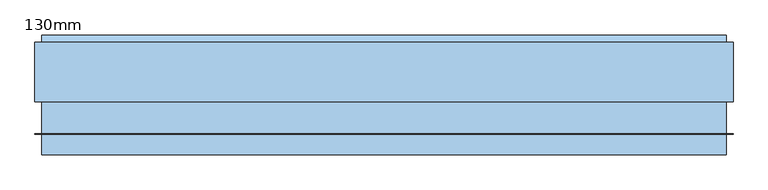
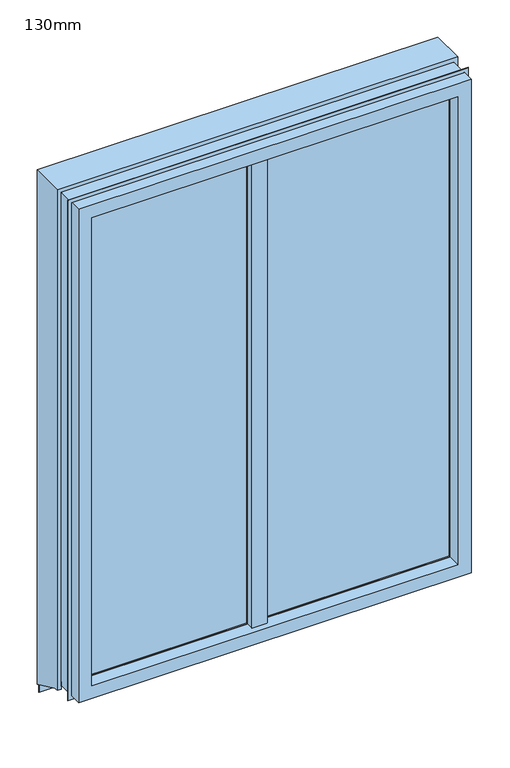
"""IFC4 building model written with IfcOpenShell, lengths in millimetres: window geometry, 130mm."""

import ifcopenshell
import ifcopenshell.guid

model = None  # the IFC model being written
_history = None  # IfcOwnerHistory: only IFC2X3 demands one
_inside = {}  # id of a spatial element -> (the spatial element, [elements in it])
_under = {}  # id of a project, library or spatial element -> (it, [spatial elements below it])
_declared = {}  # id of a project -> (the project, [libraries it declares])
_typed = {}  # id of a type object -> (the type object, [elements of that type])
_made_of = {}  # id of a material, layer set ... -> (it, [elements and type objects made of it])


def new_model(schema):
    """Start an empty IFC model of exactly this schema.

    Asked for "IFC4X3", IfcOpenShell would pick the latest addendum, in which some entities
    have other attributes; the version numbers below select the first issue.
    IFC2X3 requires an IfcOwnerHistory on every rooted entity: one is made here for all.
    """
    global model, _history
    if schema == "IFC4X3":
        model = ifcopenshell.file(schema_version=(4, 3, 0, 0))
    else:
        model = ifcopenshell.file(schema=schema)
    _inside.clear()
    _under.clear()
    _declared.clear()
    _typed.clear()
    _made_of.clear()
    _history = None
    if model.schema == "IFC2X3":
        org = make("IfcOrganization", Name="unknown")
        user = make(
            "IfcPersonAndOrganization",
            ThePerson=make("IfcPerson", FamilyName="unknown"),
            TheOrganization=org,
        )
        app = make(
            "IfcApplication",
            ApplicationDeveloper=org,
            Version="unknown",
            ApplicationFullName="unknown",
            ApplicationIdentifier="unknown",
        )
        _history = make(
            "IfcOwnerHistory",
            OwningUser=user,
            OwningApplication=app,
            ChangeAction="ADDED",
            CreationDate=0,
        )
    return model


def make(cls, **values):
    """One entity of the class cls with the attributes given. An attribute that is None is left unset."""
    return model.create_entity(
        cls, **{name: value for name, value in values.items() if value is not None}
    )


def rooted(cls, **values):
    """An entity with a GlobalId (a new one), such as an element, a storey or a relation."""
    return make(cls, GlobalId=ifcopenshell.guid.new(), OwnerHistory=_history, **values)


def si_unit(unit_type, name, prefix=None):
    """IfcSIUnit, for example si_unit("LENGTHUNIT", "METRE", prefix="MILLI")."""
    return make("IfcSIUnit", UnitType=unit_type, Prefix=prefix, Name=name)


def assignment(units):
    """IfcUnitAssignment: the units of a project."""
    return None if units is None else make("IfcUnitAssignment", Units=units)


def point(xyz):
    """IfcCartesianPoint."""
    return None if xyz is None else make("IfcCartesianPoint", Coordinates=xyz)


def direction(xyz):
    """IfcDirection."""
    return None if xyz is None else make("IfcDirection", DirectionRatios=xyz)


def frame(location, z_axis=None, x_axis=None):
    """IfcAxis2Placement3D, a coordinate frame: its origin and axes. An axis left out is left unset."""
    return make(
        "IfcAxis2Placement3D",
        Location=point(location),
        Axis=direction(z_axis),
        RefDirection=direction(x_axis),
    )


def origin():
    """The frame at (0, 0, 0) with its axes left unset."""
    return frame((0.0, 0.0, 0.0))


def place(relative_to, where):
    """IfcLocalPlacement: puts the frame where relative to a parent placement (None: the world)."""
    return make(
        "IfcLocalPlacement", PlacementRelTo=relative_to, RelativePlacement=where
    )


def context(
    kind, dimensions, precision=None, world=None, true_north=None, identifier=None
):
    """IfcGeometricRepresentationContext, for example the 3D "Model" context."""
    return make(
        "IfcGeometricRepresentationContext",
        ContextIdentifier=identifier,
        ContextType=kind,
        CoordinateSpaceDimension=dimensions,
        Precision=precision,
        WorldCoordinateSystem=world,
        TrueNorth=true_north,
    )


def project(units=None, contexts=None):
    """IfcProject with its units and contexts."""
    return rooted(
        "IfcProject",
        Name="project",
        RepresentationContexts=contexts,
        UnitsInContext=assignment(units),
    )


def spatial(cls, under=None, at=None, **own):
    """A site, building, storey or space (cls), placed at a placement, below another one or the project."""
    s = rooted(cls, ObjectPlacement=at, **own)
    if under is not None:
        _under.setdefault(under.id(), (under, []))[1].append(s)
    return s


def polyline(points):
    """IfcPolyline through the points."""
    return make("IfcPolyline", Points=[point(p) for p in points])


def outline(outer, holes=None, kind="AREA"):
    """IfcArbitraryClosedProfileDef: a profile drawn as a closed curve; with holes, ...WithVoids."""
    if holes is None:
        return make("IfcArbitraryClosedProfileDef", ProfileType=kind, OuterCurve=outer)
    return make(
        "IfcArbitraryProfileDefWithVoids",
        ProfileType=kind,
        OuterCurve=outer,
        InnerCurves=holes,
    )


def extrude(swept, where, along, depth):
    """IfcExtrudedAreaSolid: the profile swept, set in the frame where, extruded along a direction by depth."""
    return make(
        "IfcExtrudedAreaSolid",
        SweptArea=swept,
        Position=where,
        ExtrudedDirection=direction(along),
        Depth=depth,
    )


def faces_of(points, faces, orient=None, outer=None):
    """IfcFace entities. A face is a list of loops; a loop is a list of indices into points, from 0.

    orient and outer hold one flag for each loop. By default every Orientation is true, the
    first loop of a face is its IfcFaceOuterBound and the others are IfcFaceBound.
    """
    made = []
    for i, loops in enumerate(faces):
        bounds = []
        for j, loop in enumerate(loops):
            is_outer = j == 0 if outer is None else outer[i][j]
            bounds.append(
                make(
                    "IfcFaceOuterBound" if is_outer else "IfcFaceBound",
                    Bound=make("IfcPolyLoop", Polygon=[points[k] for k in loop]),
                    Orientation=True if orient is None else orient[i][j],
                )
            )
        made.append(make("IfcFace", Bounds=bounds))
    return made


def faceted_brep(points, faces, orient=None, outer=None, voids=None):
    """IfcFacetedBrep: a solid bounded by flat faces; with voids (closed shells), ...WithVoids."""
    shared = [point(p) for p in points]
    hull = make("IfcClosedShell", CfsFaces=faces_of(shared, faces, orient, outer))
    if voids is None:
        return make("IfcFacetedBrep", Outer=hull)
    return make(
        "IfcFacetedBrepWithVoids",
        Outer=hull,
        Voids=[
            make(cls, CfsFaces=faces_of(shared, fs, o, b)) for cls, fs, o, b in voids
        ],
    )


def shape(context_of_items, identifier, shape_type, items):
    """IfcShapeRepresentation: the items that make up one representation, for example the "Body"."""
    return make(
        "IfcShapeRepresentation",
        ContextOfItems=context_of_items,
        RepresentationIdentifier=identifier,
        RepresentationType=shape_type,
        Items=items,
    )


def source(mapping_origin, context_of_items, identifier, shape_type, items):
    """IfcRepresentationMap: a shape defined once, which mapped items show again and again."""
    return make(
        "IfcRepresentationMap",
        MappingOrigin=mapping_origin,
        MappedRepresentation=shape(context_of_items, identifier, shape_type, items),
    )


def transform(
    local_origin,
    x_axis=None,
    y_axis=None,
    z_axis=None,
    scale=None,
    scale2=None,
    scale3=None,
    uniform=True,
):
    """IfcCartesianTransformationOperator3D, or its non-uniform kind. x_axis, y_axis, z_axis: its Axis1, 2, 3."""
    if uniform:
        return make(
            "IfcCartesianTransformationOperator3D",
            Axis1=direction(x_axis),
            Axis2=direction(y_axis),
            LocalOrigin=point(local_origin),
            Scale=scale,
            Axis3=direction(z_axis),
        )
    return make(
        "IfcCartesianTransformationOperator3DnonUniform",
        Axis1=direction(x_axis),
        Axis2=direction(y_axis),
        LocalOrigin=point(local_origin),
        Scale=scale,
        Axis3=direction(z_axis),
        Scale2=scale2,
        Scale3=scale3,
    )


def mapped(mapping_source, mapping_target):
    """IfcMappedItem: shows the shape of a source again, moved by a transform."""
    return make(
        "IfcMappedItem", MappingSource=mapping_source, MappingTarget=mapping_target
    )


def made_of(thing, what):
    """Note that an element or type object is made of a material, layer set ...; save() writes the relation."""
    if what is not None:
        _made_of.setdefault(what.id(), (what, []))[1].append(thing)
    return thing


def element(
    cls,
    number,
    at=None,
    inside=None,
    cuts=None,
    type_object=None,
    material=None,
    context=None,
    identifier="Body",
    shape_type=None,
    held_by="IfcProductDefinitionShape",
    body=None,
    shapes=None,
    **own,
):
    """One element of the class cls, such as IfcWall. Its Tag is "e" and its number.

    at: its placement. inside: the storey or other place that contains it. cuts: it is an
    opening in that element (IfcRelVoidsElement). A single representation is given by context,
    identifier, shape_type and body (its items); several are given by shapes. held_by: the class
    of the entity that holds the representations. save() writes the other relations.
    """
    e = rooted(cls, Tag="e%d" % number, ObjectPlacement=at, **own)
    if body is not None:
        shapes = [shape(context, identifier, shape_type, body)]
    if shapes is not None:
        e.Representation = make(held_by, Representations=shapes)
    if inside is not None:
        _inside.setdefault(inside.id(), (inside, []))[1].append(e)
    if cuts is not None:
        rooted(
            "IfcRelVoidsElement", RelatingBuildingElement=cuts, RelatedOpeningElement=e
        )
    if type_object is not None:
        _typed.setdefault(type_object.id(), (type_object, []))[1].append(e)
    return made_of(e, material)


def aggregate(whole, parts):
    """IfcRelAggregates: a whole, such as a stair, and the parts it consists of."""
    return rooted("IfcRelAggregates", RelatingObject=whole, RelatedObjects=parts)


def save(model, path):
    """Write the relations noted so far, then the file.

    IfcRelAggregates (storeys below a building ...), IfcRelContainedInSpatialStructure (elements
    in a storey), IfcRelDefinesByType, IfcRelAssociatesMaterial and IfcRelDeclares: one each for
    every whole, place, type object, material and project.
    """
    for whole, parts in _under.values():
        aggregate(whole, parts)
    for where, things in _inside.values():
        rooted(
            "IfcRelContainedInSpatialStructure",
            RelatedElements=things,
            RelatingStructure=where,
        )
    for kind, things in _typed.values():
        rooted("IfcRelDefinesByType", RelatedObjects=things, RelatingType=kind)
    for what, things in _made_of.values():
        rooted("IfcRelAssociatesMaterial", RelatedObjects=things, RelatingMaterial=what)
    for by, libraries in _declared.values():
        rooted("IfcRelDeclares", RelatingContext=by, RelatedDefinitions=libraries)
    model.write(path)


def window_130mm_3dce3136(model_context):
    return source(origin(), model_context, "Body", "SolidModel", [
        extrude(outline(polyline([(966.6999971, -87.6999978), (966.6999971, -91.6999978), (231.2999971, -91.6999978), (231.2999971, -87.6999978), (966.6999971, -87.6999978)])), frame((0.0, 0.0, 853.3), z_axis=(0.0, 0.0, 1.0), x_axis=(1.0, 0.0, 0.0)), (0.0, 0.0, 1.0), 1903.4),
        extrude(outline(polyline([(966.6999971, -65.6999978), (966.6999971, -69.6999978), (231.2999971, -69.6999978), (231.2999971, -65.6999978), (966.6999971, -65.6999978)])), frame((0.0, 0.0, 853.3), z_axis=(0.0, 0.0, 1.0), x_axis=(1.0, 0.0, 0.0)), (0.0, 0.0, 1.0), 1903.4),
        extrude(outline(polyline([(966.6999971, -43.6999978), (966.6999971, -47.6999978), (231.2999971, -47.6999978), (231.2999971, -43.6999978), (966.6999971, -43.6999978)])), frame((0.0, 0.0, 853.3), z_axis=(0.0, 0.0, 1.0), x_axis=(1.0, 0.0, 0.0)), (0.0, 0.0, 1.0), 1903.4),
        extrude(outline(polyline([(2756.7, 966.6999971), (2756.7, 231.2999971), (853.3, 231.2999971), (853.3, 966.6999971), (2756.7, 966.6999971)]), holes=[polyline([(863.3, 956.6999971), (863.3, 241.2999971), (2746.7, 241.2999971), (2746.7, 956.6999971), (863.3, 956.6999971)])]), frame((0.0, -65.6999978, 0.0), z_axis=(0.0, 1.0, 0.0), x_axis=(0.0, 0.0, 1.0)), (0.0, 0.0, 1.0), 18.0),
        extrude(outline(polyline([(2756.7, 966.6999971), (2756.7, 231.2999971), (853.3, 231.2999971), (853.3, 966.6999971), (2756.7, 966.6999971)]), holes=[polyline([(863.3, 956.6999971), (863.3, 241.2999971), (2746.7, 241.2999971), (2746.7, 956.6999971), (863.3, 956.6999971)])]), frame((0.0, -87.6999978, 0.0), z_axis=(0.0, 1.0, 0.0), x_axis=(0.0, 0.0, 1.0)), (0.0, 0.0, 1.0), 18.0),
        extrude(outline(polyline([(198.7000029, -87.6999978), (198.7000029, -91.6999978), (-446.6999971, -91.6999978), (-446.6999971, -87.6999978), (198.7000029, -87.6999978)])), frame((0.0, 0.0, 853.3), z_axis=(0.0, 0.0, 1.0), x_axis=(1.0, 0.0, 0.0)), (0.0, 0.0, 1.0), 1903.4),
        extrude(outline(polyline([(198.7000029, -65.6999978), (198.7000029, -69.6999978), (-446.6999971, -69.6999978), (-446.6999971, -65.6999978), (198.7000029, -65.6999978)])), frame((0.0, 0.0, 853.3), z_axis=(0.0, 0.0, 1.0), x_axis=(1.0, 0.0, 0.0)), (0.0, 0.0, 1.0), 1903.4),
        extrude(outline(polyline([(198.7000029, -43.6999978), (198.7000029, -47.6999978), (-446.6999971, -47.6999978), (-446.6999971, -43.6999978), (198.7000029, -43.6999978)])), frame((0.0, 0.0, 853.3), z_axis=(0.0, 0.0, 1.0), x_axis=(1.0, 0.0, 0.0)), (0.0, 0.0, 1.0), 1903.4),
        extrude(outline(polyline([(2756.7, 198.7000029), (2756.7, -446.6999971), (853.3, -446.6999971), (853.3, 198.7000029), (2756.7, 198.7000029)]), holes=[polyline([(863.3, 188.7000029), (863.3, -436.6999971), (2746.7, -436.6999971), (2746.7, 188.7000029), (863.3, 188.7000029)])]), frame((0.0, -65.6999978, 0.0), z_axis=(0.0, 1.0, 0.0), x_axis=(0.0, 0.0, 1.0)), (0.0, 0.0, 1.0), 18.0),
        extrude(outline(polyline([(2756.7, 198.7000029), (2756.7, -446.6999971), (853.3, -446.6999971), (853.3, 198.7000029), (2756.7, 198.7000029)]), holes=[polyline([(863.3, 188.7000029), (863.3, -436.6999971), (2746.7, -436.6999971), (2746.7, 188.7000029), (863.3, 188.7000029)])]), frame((0.0, -87.6999978, 0.0), z_axis=(0.0, 1.0, 0.0), x_axis=(0.0, 0.0, 1.0)), (0.0, 0.0, 1.0), 18.0),
        extrude(outline(polyline([(116.0224775, 743.5065933), (116.0224775, 698.5065933), (115.0224775, 698.5065933), (115.0224775, 742.869523), (-29.9775225, 810.4841335), (-29.9775225, 829.9667629), (-28.9775225, 829.9667629), (-28.9775225, 811.1212037), (116.0224775, 743.5065933)])), frame((-485.0, 0.0, 0.0), z_axis=(1.0, 0.0, 0.0), x_axis=(0.0, 1.0, 0.0)), (0.0, 0.0, 1.0), 1490.0),
        extrude(outline(polyline([(-28.9775225, 811.1212037), (-28.9775225, 829.9667629), (85.0224775, 776.8076899), (85.0224775, 757.9621307), (-28.9775225, 811.1212037)])), frame((1004.0, 0.0, 0.0), z_axis=(1.0, 0.0, 0.0), x_axis=(0.0, 1.0, 0.0)), (0.0, 0.0, 1.0), 1.0),
        extrude(outline(polyline([(-28.9775225, 811.1212037), (-28.9775225, 829.9667629), (85.0224775, 776.8076899), (85.0224775, 757.9621307), (-28.9775225, 811.1212037)])), frame((-485.0, 0.0, 0.0), z_axis=(1.0, 0.0, 0.0), x_axis=(0.0, 1.0, 0.0)), (0.0, 0.0, 1.0), 1.0),
        faceted_brep([(1020.0, 100.0, 2810.0), (1020.0, -30.0, 2810.0), (1020.0, -30.0, 800.0), (1020.0, -15.0, 800.0), (1020.0, 100.0, 746.3746193), (-500.0, 100.0, 2810.0), (-500.0, 100.0, 746.3746193), (-500.0, -15.0, 800.0), (-500.0, -30.0, 800.0), (-500.0, -30.0, 2810.0), (1005.0, -15.0, 800.0), (1005.0, 100.0, 746.3746193), (-485.0, 100.0, 746.3746193), (-485.0, -15.0, 800.0), (1005.0, 100.0, 2795.0), (-485.0, 100.0, 2795.0), (1005.0, -30.0, 2795.0), (1005.0, -30.0, 800.0), (-485.0, -30.0, 2795.0), (-485.0, -30.0, 800.0)], [[[0, 1, 2, 3, 4]], [[5, 6, 7, 8, 9]], [[4, 3, 10, 11]], [[7, 6, 12, 13]], [[0, 4, 11, 14, 15, 12, 6, 5]], [[1, 0, 5, 9]], [[16, 14, 11, 10, 17]], [[14, 16, 18, 15]], [[15, 18, 19, 13, 12]], [[2, 1, 9, 8, 19, 18, 16, 17]], [[3, 2, 17, 10]], [[8, 7, 13, 19]]]),
        extrude(outline(polyline([(2810.0, 1020.0), (2810.0, -500.0), (800.0, -500.0), (800.0, 1020.0), (2810.0, 1020.0)]), holes=[polyline([(815.0, 1005.0), (815.0, -485.0), (2795.0, -485.0), (2795.0, 1005.0), (815.0, 1005.0)])]), frame((0.0, -100.0, 0.0), z_axis=(0.0, 1.0, 0.0), x_axis=(0.0, 0.0, 1.0)), (0.0, 0.0, 1.0), 1.0),
        faceted_brep([(245.8494078, -95.0224773, 867.8494078), (247.2210339, -91.6999978, 869.2210339), (247.2210339, -91.6999978, 2740.7789661), (245.8494078, -95.0224773, 2742.1505922), (235.5000191, -91.6999978, 857.5000191), (235.5000191, -95.0224773, 857.5000191), (235.5000191, -95.0224773, 865.999999), (235.5000191, -95.0224773, 2744.000001), (235.5000191, -95.0224773, 2752.4999809), (235.5000191, -91.6999978, 2752.4999809), (950.7789661, -91.6999978, 2740.7789661), (952.1505922, -95.0224773, 2742.1505922), (962.4999809, -95.0224773, 2752.4999809), (962.4999809, -91.6999978, 2752.4999809), (950.7789661, -91.6999978, 869.2210339), (952.1505922, -95.0224773, 867.8494078), (962.4999809, -95.0224773, 2744.000001), (962.4999809, -95.0224773, 865.999999), (962.4999809, -95.0224773, 857.5000191), (962.4999809, -91.6999978, 857.5000191)], [[[0, 1, 2, 3]], [[4, 5, 6, 7, 8, 9]], [[3, 2, 10, 11]], [[9, 8, 12, 13]], [[11, 10, 14, 15]], [[13, 12, 16, 17, 18, 19]], [[4, 9, 13, 19], [2, 1, 14, 10]], [[1, 0, 15, 14]], [[12, 8, 7, 6, 5, 18, 17, 16], [0, 3, 11, 15]], [[5, 4, 19, 18]]]),
        faceted_brep([(221.8859048, -43.6999978, 2741.3560725), (219.6558626, -25.0013729, 2750.0753589), (219.6558626, -25.0013729, 859.9246411), (221.8859048, -43.6999978, 868.6439275), (202.4989525, -25.0013729, 2750.0753589), (202.4989525, -25.0013729, 859.9246411), (202.4989525, -43.6999978, 2741.3560725), (202.4989525, -43.6999978, 868.6439275), (243.7438651, -43.6999978, 2741.3560725), (243.7438651, -43.6999978, 868.6439275), (231.2934408, -16.9999966, 2753.806451), (231.2934408, -16.9999966, 856.193549), (198.7065207, -16.9999966, 2753.806451), (198.7065207, -16.9999966, 856.193549), (186.2560964, -43.6999978, 2741.3560725), (186.2560964, -43.6999978, 868.6439275)], [[[0, 1, 2, 3]], [[1, 4, 5, 2]], [[4, 6, 7, 5]], [[8, 0, 3, 9]], [[10, 8, 9, 11]], [[12, 10, 11, 13]], [[14, 12, 13, 15]], [[6, 14, 15, 7]], [[1, 0, 8, 10, 12, 14, 6, 4]], [[3, 2, 5, 7, 15, 13, 11, 9]]]),
        faceted_brep([(224.1812921, -51.6420932, 2763.8186646), (227.4999996, -52.8499981, 2760.4999971), (227.4999996, -52.8499981, 849.5000029), (224.1812921, -51.6420932, 846.1813354), (222.7719203, -51.1291263, 846.1201944), (222.7719203, -51.1291263, 2763.8798056), (221.8859048, -43.6999978, 2764.7652914), (221.8859048, -43.6999978, 845.2347086), (221.8859048, -43.6999978, 868.6439275), (219.6558626, -25.0013729, 859.9246411), (219.6558626, -25.0013729, 2750.0753589), (221.8859048, -43.6999978, 2741.3560725), (202.4989525, -25.0013729, 2750.0753589), (202.4989525, -25.0013729, 859.9246411), (202.4989525, -94.9999982, 2744.000001), (202.4989525, -94.9999982, 2760.4999971), (202.4989525, -52.8499981, 2760.4999971), (202.4989525, -51.6420932, 2763.8186646), (202.4989525, -43.6999978, 2764.7652914), (202.4989525, -43.6999978, 2741.3560725), (202.4989525, -43.6999978, 868.6439275), (202.4989525, -43.6999978, 845.2347086), (202.4989525, -51.6420932, 846.1813354), (202.4989525, -52.8499981, 849.5000029), (202.4989525, -94.9999982, 849.5000029), (202.4989525, -94.9999982, 865.999999), (185.9999859, -94.9999982, 2744.000001), (185.9999859, -94.9999982, 865.999999), (185.9999859, -122.9999953, 2744.000001), (185.9999859, -122.9999953, 865.999999), (243.9999948, -122.9999953, 2744.000001), (243.9999948, -122.9999953, 865.999999), (243.9999948, -94.9999982, 2744.000001), (243.9999948, -94.9999982, 865.999999), (227.4999996, -94.9999982, 2744.000001), (227.4999996, -94.9999982, 865.999999), (227.4999996, -94.9999982, 2760.4999971), (227.4999996, -94.9999982, 849.5000029)], [[[0, 1, 2, 3, 4, 5]], [[6, 5, 4, 7, 8, 9, 10, 11]], [[12, 10, 9, 13]], [[14, 15, 16, 17, 18, 19, 12, 13, 20, 21, 22, 23, 24, 25]], [[26, 14, 25, 27]], [[28, 26, 27, 29]], [[30, 28, 29, 31]], [[32, 30, 31, 33]], [[34, 32, 33, 35]], [[36, 34, 35, 37, 2, 1]], [[36, 15, 14, 34]], [[15, 36, 1, 16]], [[16, 1, 0, 17]], [[17, 0, 5, 6, 18]], [[18, 6, 11, 19]], [[19, 11, 10, 12]], [[34, 14, 26, 28, 30, 32]], [[24, 37, 35, 25]], [[37, 24, 23, 2]], [[2, 23, 22, 3]], [[3, 22, 21, 7, 4]], [[7, 21, 20, 8]], [[8, 20, 13, 9]], [[25, 35, 33, 31, 29, 27]]]),
        faceted_brep([(-432.1505922, -95.0224773, 867.8494078), (-430.7789661, -91.6999978, 869.2210339), (-430.7789661, -91.6999978, 2740.7789661), (-432.1505922, -95.0224773, 2742.1505922), (-442.4999809, -91.6999978, 857.5000191), (-442.4999809, -95.0224773, 857.5000191), (-442.4999809, -95.0224773, 865.999999), (-442.4999809, -95.0224773, 2744.000001), (-442.4999809, -95.0224773, 2752.4999809), (-442.4999809, -91.6999978, 2752.4999809), (182.7789661, -91.6999978, 2740.7789661), (184.1505922, -95.0224773, 2742.1505922), (194.4999809, -95.0224773, 2752.4999809), (194.4999809, -91.6999978, 2752.4999809), (182.7789661, -91.6999978, 869.2210339), (184.1505922, -95.0224773, 867.8494078), (194.4999809, -95.0224773, 2744.000001), (194.4999809, -95.0224773, 865.999999), (194.4999809, -95.0224773, 857.5000191), (194.4999809, -91.6999978, 857.5000191)], [[[0, 1, 2, 3]], [[4, 5, 6, 7, 8, 9]], [[3, 2, 10, 11]], [[9, 8, 12, 13]], [[11, 10, 14, 15]], [[13, 12, 16, 17, 18, 19]], [[4, 9, 13, 19], [2, 1, 14, 10]], [[1, 0, 15, 14]], [[12, 8, 7, 6, 5, 18, 17, 16], [0, 3, 11, 15]], [[5, 4, 19, 18]]]),
        faceted_brep([(-431.3560725, -43.6999978, 868.6439275), (-444.739062, -15.0, 855.260938), (-444.739062, -15.0, 2754.739062), (-431.3560725, -43.6999978, 2741.3560725), (-456.3982609, -29.9999969, 843.6017391), (-454.7653104, -43.6999978, 845.2346896), (-454.7653104, -43.6999978, 2764.7653104), (-456.3982609, -29.9999969, 2766.3982609), (-483.9999533, -29.9999969, 2793.9999533), (-483.9999533, -15.0, 2793.9999533), (-483.9999533, -15.0, 826.7669038), (-483.9999533, -17.0239709, 826.7669038), (-483.9999533, -18.1672323, 830.9561488), (-483.9999533, -24.9999979, 832.1609236), (-483.9999533, -24.9999979, 833.0000439), (-483.9999533, -29.9999969, 834.8198557), (964.739062, -15.0, 2754.739062), (951.3560725, -43.6999978, 2741.3560725), (974.7653104, -43.6999978, 2764.7653104), (976.3982609, -29.9999969, 2766.3982609), (1003.9999533, -29.9999969, 2793.9999533), (1003.9999533, -15.0, 2793.9999533), (964.739062, -15.0, 855.260938), (951.3560725, -43.6999978, 868.6439275), (974.7653104, -43.6999978, 845.2346896), (976.3982609, -29.9999969, 843.6017391), (1003.9999533, -29.9999969, 834.8198557), (1003.9999533, -24.9999979, 833.0000439), (1003.9999533, -24.9999979, 832.1609236), (1003.9999533, -18.1672323, 830.9561488), (1003.9999533, -17.0239709, 826.7669038), (1003.9999533, -15.0, 826.7669038)], [[[0, 1, 2, 3]], [[4, 5, 6, 7]], [[8, 9, 10, 11, 12, 13, 14, 15]], [[3, 2, 16, 17]], [[7, 6, 18, 19]], [[9, 8, 20, 21]], [[17, 16, 22, 23]], [[19, 18, 24, 25]], [[21, 20, 26, 27, 28, 29, 30, 31]], [[1, 0, 23, 22]], [[6, 5, 24, 18], [0, 3, 17, 23]], [[5, 4, 25, 24]], [[20, 8, 15, 26], [4, 7, 19, 25]], [[9, 21, 31, 10], [2, 1, 22, 16]], [[11, 30, 29, 12]], [[12, 29, 28, 13]], [[13, 28, 27, 14]], [[14, 27, 26, 15]], [[30, 11, 10, 31]]]),
        faceted_brep([(-434.000001, -145.0224743, 865.999999), (-434.000001, -94.9999982, 865.999999), (-434.000001, -94.9999982, 2744.000001), (-434.000001, -145.0224743, 2744.000001), (-485.0, -29.9999969, 815.0), (-485.0, -145.0224743, 815.0), (-485.0, -145.0224743, 2795.0), (-485.0, -29.9999969, 2795.0), (-466.9999561, -24.9999979, 833.0000439), (-465.1801443, -29.9999969, 834.8198557), (-465.1801443, -29.9999969, 2775.1801443), (-466.9999561, -24.9999979, 2776.9999561), (-453.8186646, -51.6420932, 846.1813354), (-456.9941642, -24.9999979, 843.0058358), (-456.9941642, -24.9999979, 2766.9941642), (-453.8186646, -51.6420932, 2763.8186646), (-450.4999971, -52.8499981, 849.5000029), (-450.4999971, -52.8499981, 2760.4999971), (-450.4999971, -94.9999982, 849.5000029), (-450.4999971, -94.9999982, 2760.4999971), (954.000001, -94.9999982, 2744.000001), (954.000001, -145.0224743, 2744.000001), (1005.0, -145.0224743, 2795.0), (1005.0, -29.9999969, 2795.0), (985.1801443, -29.9999969, 2775.1801443), (986.9999561, -24.9999979, 2776.9999561), (976.9941642, -24.9999979, 2766.9941642), (973.8186646, -51.6420932, 2763.8186646), (970.4999971, -52.8499981, 2760.4999971), (970.4999971, -94.9999982, 2760.4999971), (954.000001, -94.9999982, 865.999999), (954.000001, -145.0224743, 865.999999), (1005.0, -145.0224743, 815.0), (1005.0, -29.9999969, 815.0), (985.1801443, -29.9999969, 834.8198557), (986.9999561, -24.9999979, 833.0000439), (976.9941642, -24.9999979, 843.0058358), (973.8186646, -51.6420932, 846.1813354), (970.4999971, -52.8499981, 849.5000029), (970.4999971, -94.9999982, 849.5000029)], [[[0, 1, 2, 3]], [[4, 5, 6, 7]], [[8, 9, 10, 11]], [[12, 13, 14, 15]], [[16, 12, 15, 17]], [[18, 16, 17, 19]], [[3, 2, 20, 21]], [[7, 6, 22, 23]], [[11, 10, 24, 25]], [[15, 14, 26, 27]], [[17, 15, 27, 28]], [[19, 17, 28, 29]], [[21, 20, 30, 31]], [[23, 22, 32, 33]], [[25, 24, 34, 35]], [[27, 26, 36, 37]], [[28, 27, 37, 38]], [[29, 28, 38, 39]], [[31, 30, 1, 0]], [[5, 32, 22, 6], [3, 21, 31, 0]], [[33, 32, 5, 4]], [[7, 23, 33, 4], [9, 34, 24, 10]], [[35, 34, 9, 8]], [[11, 25, 35, 8], [13, 36, 26, 14]], [[37, 36, 13, 12]], [[38, 37, 12, 16]], [[39, 38, 16, 18]], [[19, 29, 39, 18], [1, 30, 20, 2]]]),
    ])


if __name__ == "__main__":
    model = new_model("IFC4")
    model_context = context("Model", 3, world=origin())
    ifc_project = project(units=[si_unit("LENGTHUNIT", "METRE", prefix="MILLI")], contexts=[model_context])
    site = spatial("IfcSite", under=ifc_project)
    building = spatial("IfcBuilding", under=site)
    placement = place(None, origin())
    window_130mm_shape = window_130mm_3dce3136(model_context)
    element("IfcWindow", 1, ObjectType="130mm", at=placement, inside=building, context=model_context, shape_type="MappedRepresentation", body=[
        mapped(window_130mm_shape, transform((0.0, 0.0, 0.0), x_axis=(1.0, 0.0, 0.0), y_axis=(0.0, 1.0, 0.0), z_axis=(0.0, 0.0, 1.0))),
    ])
    save(model, "model.ifc")
